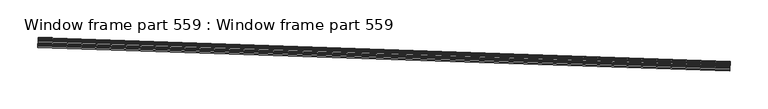
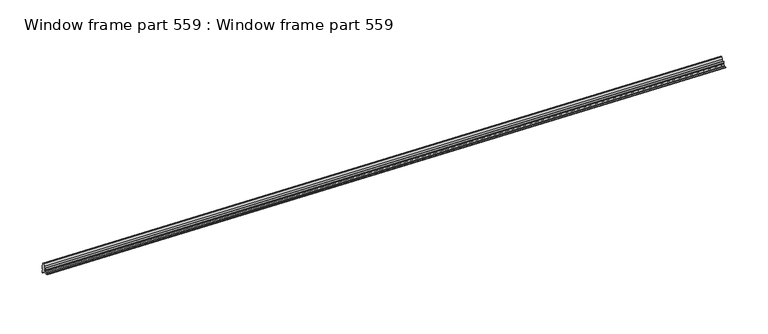
"""IFC4 building model written with IfcOpenShell, lengths in millimetres: proxy geometry, Window frame part 559 : Window frame part 559."""

from ifc_helpers import new_model, si_unit, frame, origin, place, context, project, spatial, polyline, outline, extrude, source, transform, mapped, element, save


def window_frame_part_559_window_frame_part_559_ff7ddb61(model_context):
    return source(origin(), model_context, "Body", "SweptSolid", [
        extrude(outline(polyline([(0.0, 0.0), (3.0424414, 0.0), (6.5650371, -1.0030757), (9.0236157, -1.2068613), (13.8440535, 0.4475767), (12.6977105, -2.6286361), (10.4909622, -4.6530777), (8.5973006, -8.8489186), (11.6525264, -5.54145), (10.5009416, -8.7509441), (7.8684954, -12.8963173), (6.3384221, -13.3021017), (5.5484418, -12.5848291), (5.5603993, -9.5623462), (6.0475807, -7.1530528), (6.8685379, -4.8650257), (5.1149909, -4.235843), (4.1304992, -5.3294932), (5.0212237, -5.7806258), (3.8916585, -6.3618481), (4.4611882, -7.1581087), (2.5326489, -7.8866931), (2.4345688, -5.839036), (2.6360321, -4.7275021), (2.7399408, -1.8710024), (1.3246637, -1.2316574), (-0.507247, -0.6548058), (0.0, 0.0)])), frame((34353.2773251, -15508.4062741, 2835.4380656), z_axis=(-0.999414947916074, 0.034201781852871434, 0.0), x_axis=(0.03219226089318252, 0.94069446095166, -0.33772413220474984)), (0.0, 0.0, 1.0), 914.4),
    ])


if __name__ == "__main__":
    model = new_model("IFC4")
    model_context = context("Model", 3, world=origin())
    ifc_project = project(units=[si_unit("LENGTHUNIT", "METRE", prefix="MILLI")], contexts=[model_context])
    site = spatial("IfcSite", under=ifc_project)
    building = spatial("IfcBuilding", under=site)
    placement = place(None, origin())
    window_frame_part_559_window_frame_part_559_shape = window_frame_part_559_window_frame_part_559_ff7ddb61(model_context)
    element("IfcBuildingElementProxy", 1, Name="Window frame part 559 : Window frame part 559", ObjectType="Window frame part 559 : Window frame part 559", at=placement, inside=building, context=model_context, shape_type="MappedRepresentation", body=[
        mapped(window_frame_part_559_window_frame_part_559_shape, transform((0.0, 0.0, 0.0), x_axis=(1.0, 0.0, 0.0), y_axis=(0.0, 1.0, 0.0), z_axis=(0.0, 0.0, 1.0))),
    ])
    save(model, "model.ifc")
